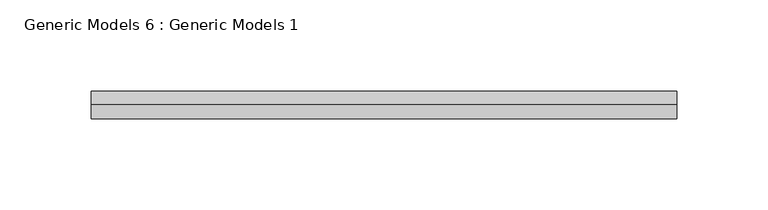
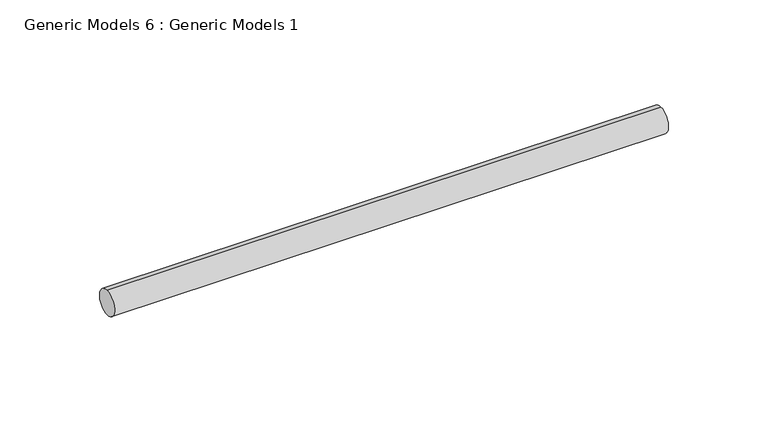
"""IFC4 building model written with IfcOpenShell, lengths in millimetres: proxy geometry, Generic Models 6 : Generic Models 1."""

from ifc_helpers import new_model, si_unit, point, frame, frame_2d, origin, place, context, project, spatial, circle_curve, trimmed, segment, composite_curve, outline, extrude, source, transform, mapped, element, save


def generic_models_6_generic_models_1_a32fb174(model_context):
    return source(origin(), model_context, "Body", "SweptSolid", [
        extrude(outline(composite_curve([segment(trimmed(circle_curve(frame_2d((400.3057469, -818.1141294)), 7.5), [point((400.3057469, -825.6141294))], [point((400.3057469, -810.6141294))], False, "CARTESIAN"), True, "CONTINUOUS"), segment(trimmed(circle_curve(frame_2d((400.3057469, -818.1141294)), 7.5), [point((400.3057469, -810.6141294))], [point((400.3057469, -825.6141294))], False, "CARTESIAN"), True, "CONTINUOUS")], self_intersect=False)), frame((3856.6892692, 0.0, 0.0), z_axis=(1.0, 0.0, 0.0), x_axis=(0.0, 1.0, 0.0)), (0.0, 0.0, 1.0), 321.0),
    ])


if __name__ == "__main__":
    model = new_model("IFC4")
    model_context = context("Model", 3, world=origin())
    ifc_project = project(units=[si_unit("LENGTHUNIT", "METRE", prefix="MILLI")], contexts=[model_context])
    site = spatial("IfcSite", under=ifc_project)
    building = spatial("IfcBuilding", under=site)
    placement = place(None, origin())
    generic_models_6_generic_models_1_shape = generic_models_6_generic_models_1_a32fb174(model_context)
    element("IfcBuildingElementProxy", 1, Name="Generic Models 6 : Generic Models 1", ObjectType="Generic Models 6 : Generic Models 1", at=placement, inside=building, context=model_context, shape_type="MappedRepresentation", body=[
        mapped(generic_models_6_generic_models_1_shape, transform((0.0, 0.0, 0.0), x_axis=(1.0, 0.0, 0.0), y_axis=(0.0, 1.0, 0.0), z_axis=(0.0, 0.0, 1.0))),
    ])
    save(model, "model.ifc")
